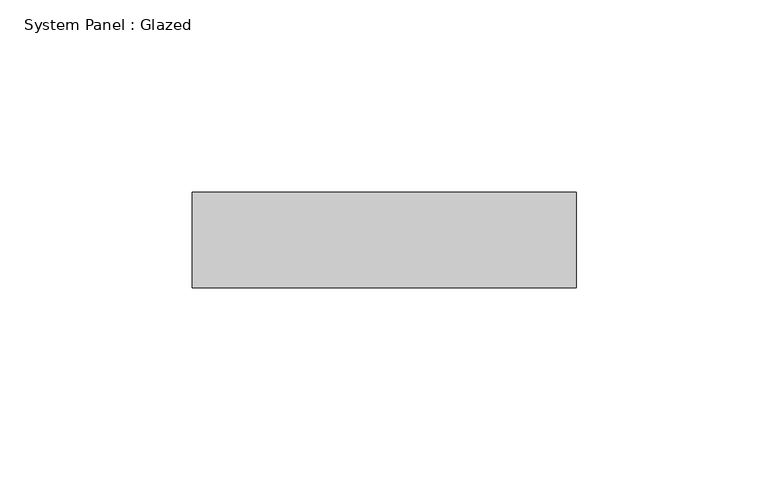
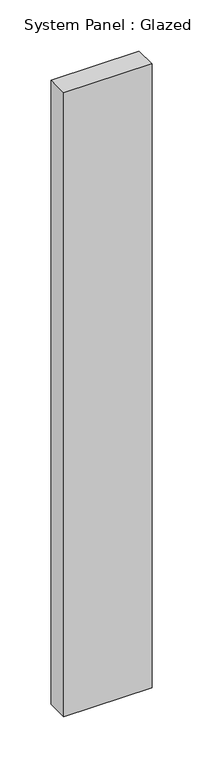
"""IFC4 building model written with IfcOpenShell, lengths in millimetres: plate geometry, System Panel : Glazed."""

from ifc_helpers import new_model, si_unit, origin, origin_with_axes, place, context, project, spatial, polyline, outline, extrude, source, transform, mapped, element, save


def system_panel_glazed_42ba1965(model_context):
    return source(origin(), model_context, "Body", "SweptSolid", [
        extrude(outline(polyline([(50.0, -49.5), (-50.0, -49.5), (-50.0, -24.5), (50.0, -24.5), (50.0, -49.5)])), origin_with_axes(), (0.0, 0.0, 1.0), 746.6666667),
    ])


if __name__ == "__main__":
    model = new_model("IFC4")
    model_context = context("Model", 3, world=origin())
    ifc_project = project(units=[si_unit("LENGTHUNIT", "METRE", prefix="MILLI")], contexts=[model_context])
    site = spatial("IfcSite", under=ifc_project)
    building = spatial("IfcBuilding", under=site)
    placement = place(None, origin())
    system_panel_glazed_shape = system_panel_glazed_42ba1965(model_context)
    element("IfcPlate", 1, ObjectType="System Panel : Glazed", at=placement, inside=building, context=model_context, shape_type="MappedRepresentation", body=[
        mapped(system_panel_glazed_shape, transform((0.0, 0.0, 0.0), x_axis=(1.0, 0.0, 0.0), y_axis=(0.0, 1.0, 0.0), z_axis=(0.0, 0.0, 1.0))),
    ])
    save(model, "model.ifc")
